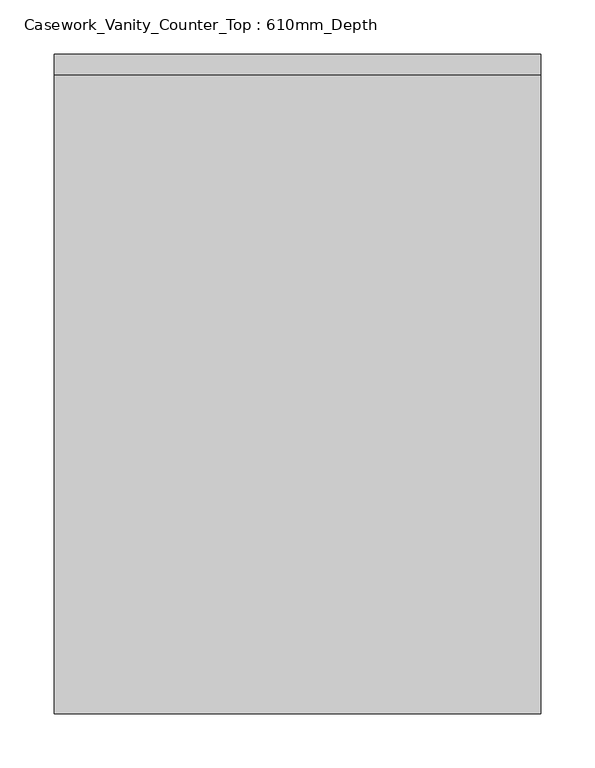
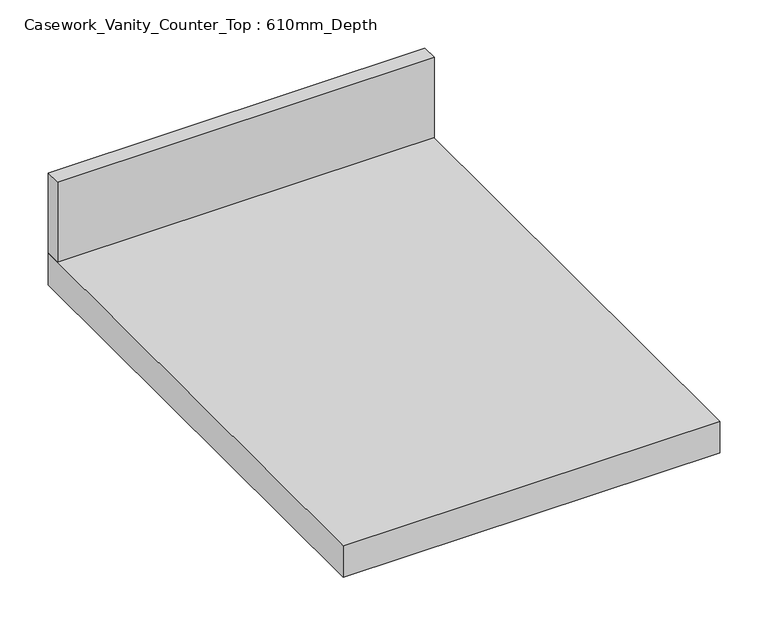
"""IFC4 building model written with IfcOpenShell, lengths in millimetres: furniture geometry, Casework_Vanity_Counter_Top : 610mm_Depth."""

from ifc_helpers import new_model, si_unit, frame, origin, place, context, project, spatial, polyline, outline, extrude, source, transform, mapped, element, save


def casework_vanity_counter_top_610mm_depth_6daa9c11(model_context):
    return source(origin(), model_context, "Body", "SweptSolid", [
        extrude(outline(polyline([(-750.4622951, 0.0), (-750.4622951, -610.0), (-1200.4622951, -610.0), (-1200.4622951, 0.0), (-750.4622951, 0.0)])), frame((0.0, 0.0, 860.0), z_axis=(0.0, 0.0, 1.0), x_axis=(1.0, 0.0, 0.0)), (0.0, 0.0, 1.0), 40.0),
        extrude(outline(polyline([(-1200.4622951, 0.0), (-750.4622951, 0.0), (-750.4622951, -19.05), (-1200.4622951, -19.05), (-1200.4622951, 0.0)])), frame((0.0, 0.0, 900.0), z_axis=(0.0, 0.0, 1.0), x_axis=(1.0, 0.0, 0.0)), (0.0, 0.0, 1.0), 101.6),
    ])


if __name__ == "__main__":
    model = new_model("IFC4")
    model_context = context("Model", 3, world=origin())
    ifc_project = project(units=[si_unit("LENGTHUNIT", "METRE", prefix="MILLI")], contexts=[model_context])
    site = spatial("IfcSite", under=ifc_project)
    building = spatial("IfcBuilding", under=site)
    placement = place(None, origin())
    casework_vanity_counter_top_610mm_depth_shape = casework_vanity_counter_top_610mm_depth_6daa9c11(model_context)
    element("IfcFurniture", 1, ObjectType="Casework_Vanity_Counter_Top : 610mm_Depth", at=placement, inside=building, context=model_context, shape_type="MappedRepresentation", body=[
        mapped(casework_vanity_counter_top_610mm_depth_shape, transform((0.0, 0.0, 0.0), x_axis=(1.0, 0.0, 0.0), y_axis=(0.0, 1.0, 0.0), z_axis=(0.0, 0.0, 1.0))),
    ])
    save(model, "model.ifc")
